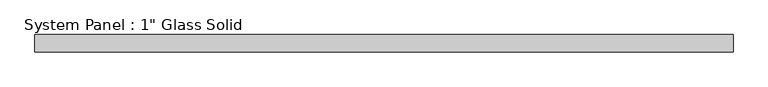
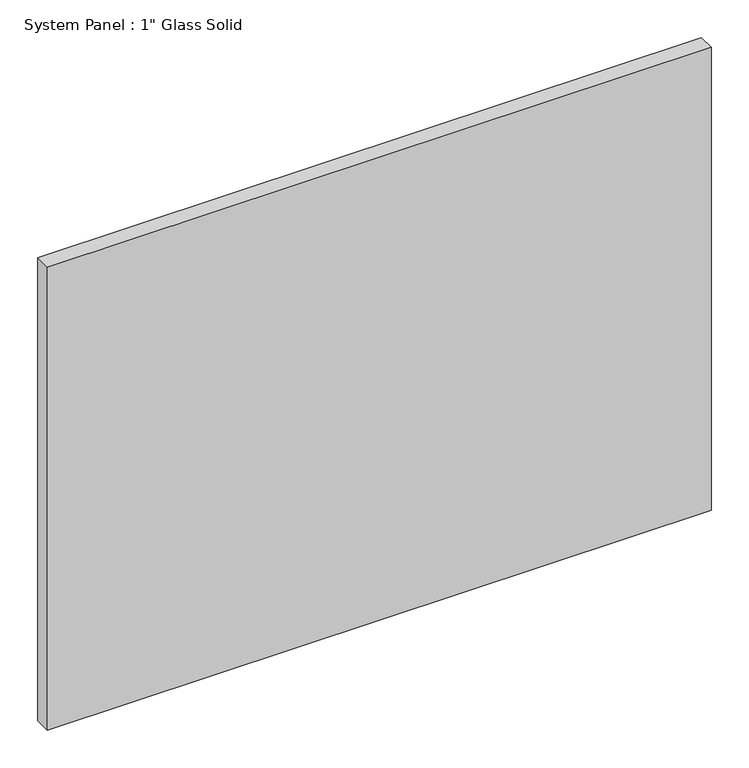
"""IFC4 building model written with IfcOpenShell, lengths in millimetres: plate geometry."""

from ifc_helpers import new_model, si_unit, origin, origin_with_axes, place, context, project, spatial, polyline, outline, extrude, source, transform, mapped, element, save


def plate_3a9bf264(model_context):
    return source(origin(), model_context, "Body", "SweptSolid", [
        extrude(outline(polyline([(507.4708333, -12.7), (-507.4708333, -12.7), (-507.4708333, 12.7), (507.4708333, 12.7), (507.4708333, -12.7)])), origin_with_axes(), (0.0, 0.0, 1.0), 748.7596948),
    ])


if __name__ == "__main__":
    model = new_model("IFC4")
    model_context = context("Model", 3, world=origin())
    ifc_project = project(units=[si_unit("LENGTHUNIT", "METRE", prefix="MILLI")], contexts=[model_context])
    site = spatial("IfcSite", under=ifc_project)
    building = spatial("IfcBuilding", under=site)
    placement = place(None, origin())
    plate_shape = plate_3a9bf264(model_context)
    element("IfcPlate", 1, ObjectType="System Panel : 1\" Glass Solid", at=placement, inside=building, context=model_context, shape_type="MappedRepresentation", body=[
        mapped(plate_shape, transform((0.0, 0.0, 0.0), x_axis=(1.0, 0.0, 0.0), y_axis=(0.0, 1.0, 0.0), z_axis=(0.0, 0.0, 1.0))),
    ])
    save(model, "model.ifc")
